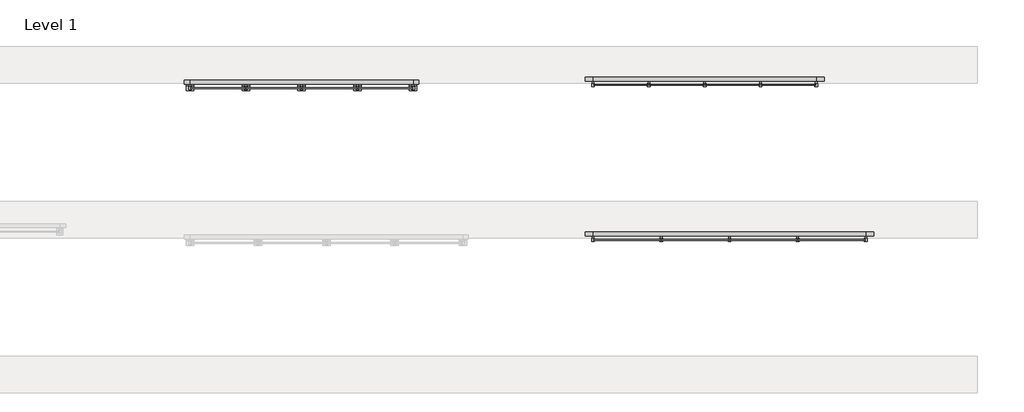
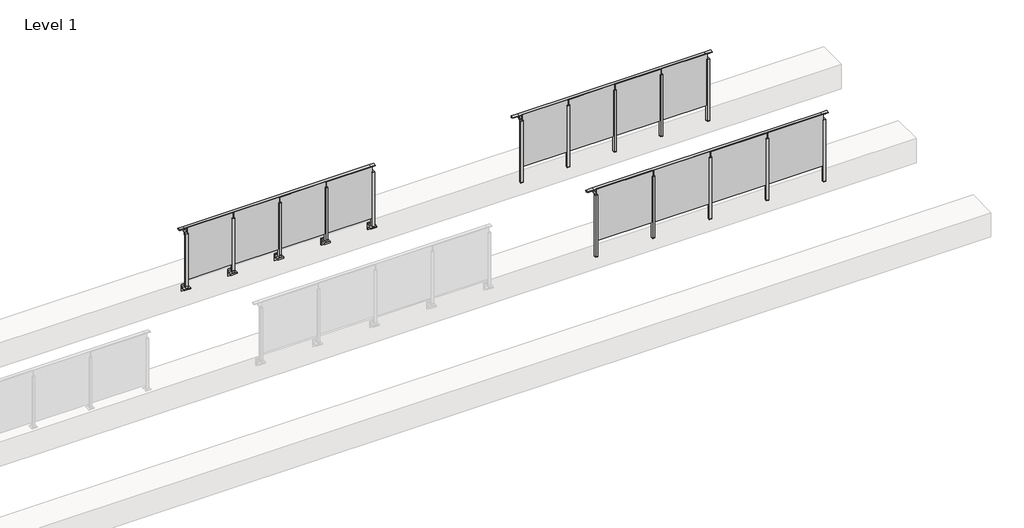
# One storey, part 64 of 64: 3 railings.
"""IFC4 building model written with IfcOpenShell, lengths in millimetres."""

import ifcopenshell
import ifcopenshell.guid

model = None  # the IFC model being written
_history = None  # IfcOwnerHistory: only IFC2X3 demands one
_inside = {}  # id of a spatial element -> (the spatial element, [elements in it])
_under = {}  # id of a project, library or spatial element -> (it, [spatial elements below it])
_declared = {}  # id of a project -> (the project, [libraries it declares])
_typed = {}  # id of a type object -> (the type object, [elements of that type])
_made_of = {}  # id of a material, layer set ... -> (it, [elements and type objects made of it])


def new_model(schema):
    """Start an empty IFC model of exactly this schema.

    Asked for "IFC4X3", IfcOpenShell would pick the latest addendum, in which some entities
    have other attributes; the version numbers below select the first issue.
    IFC2X3 requires an IfcOwnerHistory on every rooted entity: one is made here for all.
    """
    global model, _history
    if schema == "IFC4X3":
        model = ifcopenshell.file(schema_version=(4, 3, 0, 0))
    else:
        model = ifcopenshell.file(schema=schema)
    _inside.clear()
    _under.clear()
    _declared.clear()
    _typed.clear()
    _made_of.clear()
    _history = None
    if model.schema == "IFC2X3":
        org = make("IfcOrganization", Name="unknown")
        user = make(
            "IfcPersonAndOrganization",
            ThePerson=make("IfcPerson", FamilyName="unknown"),
            TheOrganization=org,
        )
        app = make(
            "IfcApplication",
            ApplicationDeveloper=org,
            Version="unknown",
            ApplicationFullName="unknown",
            ApplicationIdentifier="unknown",
        )
        _history = make(
            "IfcOwnerHistory",
            OwningUser=user,
            OwningApplication=app,
            ChangeAction="ADDED",
            CreationDate=0,
        )
    return model


def make(cls, **values):
    """One entity of the class cls with the attributes given. An attribute that is None is left unset."""
    return model.create_entity(
        cls, **{name: value for name, value in values.items() if value is not None}
    )


def rooted(cls, **values):
    """An entity with a GlobalId (a new one), such as an element, a storey or a relation."""
    return make(cls, GlobalId=ifcopenshell.guid.new(), OwnerHistory=_history, **values)


def si_unit(unit_type, name, prefix=None):
    """IfcSIUnit, for example si_unit("LENGTHUNIT", "METRE", prefix="MILLI")."""
    return make("IfcSIUnit", UnitType=unit_type, Prefix=prefix, Name=name)


def assignment(units):
    """IfcUnitAssignment: the units of a project."""
    return None if units is None else make("IfcUnitAssignment", Units=units)


def point(xyz):
    """IfcCartesianPoint."""
    return None if xyz is None else make("IfcCartesianPoint", Coordinates=xyz)


def direction(xyz):
    """IfcDirection."""
    return None if xyz is None else make("IfcDirection", DirectionRatios=xyz)


def frame(location, z_axis=None, x_axis=None):
    """IfcAxis2Placement3D, a coordinate frame: its origin and axes. An axis left out is left unset."""
    return make(
        "IfcAxis2Placement3D",
        Location=point(location),
        Axis=direction(z_axis),
        RefDirection=direction(x_axis),
    )


def frame_2d(location, x_axis=None):
    """IfcAxis2Placement2D, a coordinate frame in the plane: its origin and x axis."""
    return make(
        "IfcAxis2Placement2D", Location=point(location), RefDirection=direction(x_axis)
    )


def origin():
    """The frame at (0, 0, 0) with its axes left unset."""
    return frame((0.0, 0.0, 0.0))


def place(relative_to, where):
    """IfcLocalPlacement: puts the frame where relative to a parent placement (None: the world)."""
    return make(
        "IfcLocalPlacement", PlacementRelTo=relative_to, RelativePlacement=where
    )


def context(
    kind, dimensions, precision=None, world=None, true_north=None, identifier=None
):
    """IfcGeometricRepresentationContext, for example the 3D "Model" context."""
    return make(
        "IfcGeometricRepresentationContext",
        ContextIdentifier=identifier,
        ContextType=kind,
        CoordinateSpaceDimension=dimensions,
        Precision=precision,
        WorldCoordinateSystem=world,
        TrueNorth=true_north,
    )


def project(units=None, contexts=None):
    """IfcProject with its units and contexts."""
    return rooted(
        "IfcProject",
        Name="project",
        RepresentationContexts=contexts,
        UnitsInContext=assignment(units),
    )


def spatial(cls, under=None, at=None, **own):
    """A site, building, storey or space (cls), placed at a placement, below another one or the project."""
    s = rooted(cls, ObjectPlacement=at, **own)
    if under is not None:
        _under.setdefault(under.id(), (under, []))[1].append(s)
    return s


def polyline(points):
    """IfcPolyline through the points."""
    return make("IfcPolyline", Points=[point(p) for p in points])


def circle_curve(where, radius):
    """IfcCircle in the frame where."""
    return make("IfcCircle", Position=where, Radius=radius)


def trimmed(basis, trim1, trim2, sense, master):
    """IfcTrimmedCurve: the piece of a basis curve between two trims."""
    return make(
        "IfcTrimmedCurve",
        BasisCurve=basis,
        Trim1=trim1,
        Trim2=trim2,
        SenseAgreement=sense,
        MasterRepresentation=master,
    )


def segment(curve, same_sense, transition):
    """IfcCompositeCurveSegment."""
    return make(
        "IfcCompositeCurveSegment",
        Transition=transition,
        SameSense=same_sense,
        ParentCurve=curve,
    )


def composite_curve(segments, self_intersect=None):
    """IfcCompositeCurve: segments joined end to end."""
    return make("IfcCompositeCurve", Segments=segments, SelfIntersect=self_intersect)


def outline(outer, holes=None, kind="AREA"):
    """IfcArbitraryClosedProfileDef: a profile drawn as a closed curve; with holes, ...WithVoids."""
    if holes is None:
        return make("IfcArbitraryClosedProfileDef", ProfileType=kind, OuterCurve=outer)
    return make(
        "IfcArbitraryProfileDefWithVoids",
        ProfileType=kind,
        OuterCurve=outer,
        InnerCurves=holes,
    )


def extrude(swept, where, along, depth):
    """IfcExtrudedAreaSolid: the profile swept, set in the frame where, extruded along a direction by depth."""
    return make(
        "IfcExtrudedAreaSolid",
        SweptArea=swept,
        Position=where,
        ExtrudedDirection=direction(along),
        Depth=depth,
    )


def faces_of(points, faces, orient=None, outer=None):
    """IfcFace entities. A face is a list of loops; a loop is a list of indices into points, from 0.

    orient and outer hold one flag for each loop. By default every Orientation is true, the
    first loop of a face is its IfcFaceOuterBound and the others are IfcFaceBound.
    """
    made = []
    for i, loops in enumerate(faces):
        bounds = []
        for j, loop in enumerate(loops):
            is_outer = j == 0 if outer is None else outer[i][j]
            bounds.append(
                make(
                    "IfcFaceOuterBound" if is_outer else "IfcFaceBound",
                    Bound=make("IfcPolyLoop", Polygon=[points[k] for k in loop]),
                    Orientation=True if orient is None else orient[i][j],
                )
            )
        made.append(make("IfcFace", Bounds=bounds))
    return made


def faceted_brep(points, faces, orient=None, outer=None, voids=None):
    """IfcFacetedBrep: a solid bounded by flat faces; with voids (closed shells), ...WithVoids."""
    shared = [point(p) for p in points]
    hull = make("IfcClosedShell", CfsFaces=faces_of(shared, faces, orient, outer))
    if voids is None:
        return make("IfcFacetedBrep", Outer=hull)
    return make(
        "IfcFacetedBrepWithVoids",
        Outer=hull,
        Voids=[
            make(cls, CfsFaces=faces_of(shared, fs, o, b)) for cls, fs, o, b in voids
        ],
    )


def shape(context_of_items, identifier, shape_type, items):
    """IfcShapeRepresentation: the items that make up one representation, for example the "Body"."""
    return make(
        "IfcShapeRepresentation",
        ContextOfItems=context_of_items,
        RepresentationIdentifier=identifier,
        RepresentationType=shape_type,
        Items=items,
    )


def made_of(thing, what):
    """Note that an element or type object is made of a material, layer set ...; save() writes the relation."""
    if what is not None:
        _made_of.setdefault(what.id(), (what, []))[1].append(thing)
    return thing


def element(
    cls,
    number,
    at=None,
    inside=None,
    cuts=None,
    type_object=None,
    material=None,
    context=None,
    identifier="Body",
    shape_type=None,
    held_by="IfcProductDefinitionShape",
    body=None,
    shapes=None,
    **own,
):
    """One element of the class cls, such as IfcWall. Its Tag is "e" and its number.

    at: its placement. inside: the storey or other place that contains it. cuts: it is an
    opening in that element (IfcRelVoidsElement). A single representation is given by context,
    identifier, shape_type and body (its items); several are given by shapes. held_by: the class
    of the entity that holds the representations. save() writes the other relations.
    """
    e = rooted(cls, Tag="e%d" % number, ObjectPlacement=at, **own)
    if body is not None:
        shapes = [shape(context, identifier, shape_type, body)]
    if shapes is not None:
        e.Representation = make(held_by, Representations=shapes)
    if inside is not None:
        _inside.setdefault(inside.id(), (inside, []))[1].append(e)
    if cuts is not None:
        rooted(
            "IfcRelVoidsElement", RelatingBuildingElement=cuts, RelatedOpeningElement=e
        )
    if type_object is not None:
        _typed.setdefault(type_object.id(), (type_object, []))[1].append(e)
    return made_of(e, material)


def aggregate(whole, parts):
    """IfcRelAggregates: a whole, such as a stair, and the parts it consists of."""
    return rooted("IfcRelAggregates", RelatingObject=whole, RelatedObjects=parts)


def save(model, path):
    """Write the relations noted so far, then the file.

    IfcRelAggregates (storeys below a building ...), IfcRelContainedInSpatialStructure (elements
    in a storey), IfcRelDefinesByType, IfcRelAssociatesMaterial and IfcRelDeclares: one each for
    every whole, place, type object, material and project.
    """
    for whole, parts in _under.values():
        aggregate(whole, parts)
    for where, things in _inside.values():
        rooted(
            "IfcRelContainedInSpatialStructure",
            RelatedElements=things,
            RelatingStructure=where,
        )
    for kind, things in _typed.values():
        rooted("IfcRelDefinesByType", RelatedObjects=things, RelatingType=kind)
    for what, things in _made_of.values():
        rooted("IfcRelAssociatesMaterial", RelatedObjects=things, RelatingMaterial=what)
    for by, libraries in _declared.values():
        rooted("IfcRelDeclares", RelatingContext=by, RelatedDefinitions=libraries)
    model.write(path)


model = new_model("IFC4")

# Units and contexts
model_context = context("Model", 3, world=origin())
ifc_project = project(units=[si_unit("LENGTHUNIT", "METRE", prefix="MILLI")], contexts=[model_context])

# Site, building, storey
site = spatial("IfcSite", under=ifc_project)
building = spatial("IfcBuilding", under=site)
storey = spatial("IfcBuildingStorey", under=building, Name="Level 1", Elevation=0.0)

# Railings
placement = place(None, origin())
element("IfcRailing", 1, at=placement, inside=storey, context=model_context, shape_type="SolidModel", body=[
    faceted_brep([(49500.0, 49993.1846828, 1085.0), (49500.0, 49993.1846828, 1100.0), (53900.0, 49993.1846828, 1100.0), (53900.0, 49993.1846828, 1085.0), (49500.0, 49933.1846828, 1085.0), (49500.0, 49973.1846828, 1085.0), (53900.0, 49973.1846828, 1085.0), (53900.0, 49933.1846828, 1085.0), (49500.0, 49933.1846828, 1100.0), (53900.0, 49933.1846828, 1100.0), (49372.5, 49993.1846828, 1100.0), (49372.5, 49993.1846828, 1085.0), (49372.5, 49978.1846828, 1085.0), (49372.5, 49978.1846828, 1073.0), (49372.5, 49973.1846828, 1073.0), (49372.5, 49973.1846828, 1085.0), (49372.5, 49933.1846828, 1085.0), (49372.5, 49933.1846828, 1100.0), (54027.5, 49993.1846828, 1100.0), (54027.5, 49933.1846828, 1100.0), (54027.5, 49933.1846828, 1085.0), (54027.5, 49973.1846828, 1085.0), (54027.5, 49973.1846828, 1073.0), (54027.5, 49978.1846828, 1073.0), (54027.5, 49978.1846828, 1085.0), (54027.5, 49993.1846828, 1085.0), (49500.0, 49978.1846828, 1085.0), (53900.0, 49978.1846828, 1085.0), (49500.0, 49978.1846828, 1073.0), (49500.0, 49973.1846828, 1073.0), (53900.0, 49978.1846828, 1073.0), (53900.0, 49973.1846828, 1073.0)], [[[0, 1, 2, 3]], [[4, 5, 6, 7]], [[8, 4, 7, 9]], [[1, 8, 9, 2]], [[10, 11, 12, 13, 14, 15, 16, 17]], [[11, 10, 1, 0]], [[16, 15, 5, 4]], [[17, 16, 4, 8]], [[10, 17, 8, 1]], [[18, 19, 20, 21, 22, 23, 24, 25]], [[3, 2, 18, 25]], [[7, 6, 21, 20]], [[9, 7, 20, 19]], [[2, 9, 19, 18]], [[12, 11, 0, 26]], [[26, 0, 3, 27]], [[27, 3, 25, 24]], [[13, 12, 26, 28]], [[14, 13, 28, 29]], [[15, 14, 29, 5]], [[28, 26, 27, 30]], [[29, 28, 30, 31]], [[5, 29, 31, 6]], [[30, 27, 24, 23]], [[31, 30, 23, 22]], [[6, 31, 22, 21]]]),
    extrude(outline(polyline([(52810.0, 49861.9094929), (52810.0, 49871.9094929), (53890.0, 49871.9094929), (53890.0, 49861.9094929), (52810.0, 49861.9094929)])), frame((0.0, 0.0, 95.0), z_axis=(0.0, 0.0, 1.0), x_axis=(1.0, 0.0, 0.0)), (0.0, 0.0, 1.0), 1055.0),
    extrude(outline(composite_curve([segment(polyline([(49978.1846828, 1085.0), (49978.1846828, 1060.900037)]), True, "CONTINUOUS"), segment(trimmed(circle_curve(frame_2d((49968.1846828, 1060.900037)), 10.0), [point((49978.1846828, 1060.900037))], [point((49970.7728733, 1051.2407787))], False, "CARTESIAN"), True, "CONTINUOUS"), segment(polyline([(49970.7728733, 1051.2407787), (49913.7244733, 1035.9547061)]), True, "CONTINUOUS"), segment(trimmed(circle_curve(frame_2d((49916.3126638, 1026.2954478)), 10.0), [point((49913.7244733, 1035.9547061))], [point((49906.3982152, 1027.6007097))], True, "CARTESIAN"), True, "CONTINUOUS"), segment(polyline([(49906.3982152, 1027.6007097), (49901.791393, 992.6084214)]), True, "CONTINUOUS"), segment(trimmed(circle_curve(frame_2d((49898.8170584, 993.0)), 3.0), [point((49901.791393, 992.6084214))], [point((49898.8170584, 990.0))], False, "CARTESIAN"), True, "CONTINUOUS"), segment(polyline([(49898.8170584, 990.0), (49890.1846828, 990.0), (49890.1846828, 1040.0), (49954.1846828, 1057.1487483), (49954.1846828, 1085.0), (49978.1846828, 1085.0)]), True, "CONTINUOUS")], self_intersect=False)), frame((52787.5, 0.0, 0.0), z_axis=(1.0, 0.0, 0.0), x_axis=(0.0, 1.0, 0.0)), (0.0, 0.0, 1.0), 25.0),
    extrude(outline(polyline([(52822.5, 49890.1846828), (52822.5, 49845.1846828), (52777.5, 49845.1846828), (52777.5, 49890.1846828), (52822.5, 49890.1846828)])), frame((0.0, 0.0, 1040.0), z_axis=(0.0, 0.0, 1.0), x_axis=(1.0, 0.0, 0.0)), (0.0, 0.0, 1.0), 5.0),
    extrude(outline(polyline([(52822.5, 49890.1846828), (52822.5, 49845.1846828), (52777.5, 49845.1846828), (52777.5, 49890.1846828), (52822.5, 49890.1846828)])), frame((0.0, 0.0, -212.0), z_axis=(0.0, 0.0, 1.0), x_axis=(1.0, 0.0, 0.0)), (0.0, 0.0, 1.0), 1252.0),
    extrude(outline(polyline([(52822.5, 49890.1846828), (52822.5, 49845.1846828), (52777.5, 49845.1846828), (52777.5, 49890.1846828), (52822.5, 49890.1846828)])), frame((0.0, 0.0, -220.0), z_axis=(0.0, 0.0, 1.0), x_axis=(1.0, 0.0, 0.0)), (0.0, 0.0, 1.0), 8.0),
    extrude(outline(polyline([(51710.0, 49861.9094929), (51710.0, 49871.9094929), (52790.0, 49871.9094929), (52790.0, 49861.9094929), (51710.0, 49861.9094929)])), frame((0.0, 0.0, 95.0), z_axis=(0.0, 0.0, 1.0), x_axis=(1.0, 0.0, 0.0)), (0.0, 0.0, 1.0), 1055.0),
    extrude(outline(composite_curve([segment(polyline([(49978.1846828, 1085.0), (49978.1846828, 1060.900037)]), True, "CONTINUOUS"), segment(trimmed(circle_curve(frame_2d((49968.1846828, 1060.900037)), 10.0), [point((49978.1846828, 1060.900037))], [point((49970.7728733, 1051.2407787))], False, "CARTESIAN"), True, "CONTINUOUS"), segment(polyline([(49970.7728733, 1051.2407787), (49913.7244733, 1035.9547061)]), True, "CONTINUOUS"), segment(trimmed(circle_curve(frame_2d((49916.3126638, 1026.2954478)), 10.0), [point((49913.7244733, 1035.9547061))], [point((49906.3982152, 1027.6007097))], True, "CARTESIAN"), True, "CONTINUOUS"), segment(polyline([(49906.3982152, 1027.6007097), (49901.791393, 992.6084214)]), True, "CONTINUOUS"), segment(trimmed(circle_curve(frame_2d((49898.8170584, 993.0)), 3.0), [point((49901.791393, 992.6084214))], [point((49898.8170584, 990.0))], False, "CARTESIAN"), True, "CONTINUOUS"), segment(polyline([(49898.8170584, 990.0), (49890.1846828, 990.0), (49890.1846828, 1040.0), (49954.1846828, 1057.1487483), (49954.1846828, 1085.0), (49978.1846828, 1085.0)]), True, "CONTINUOUS")], self_intersect=False)), frame((51687.5, 0.0, 0.0), z_axis=(1.0, 0.0, 0.0), x_axis=(0.0, 1.0, 0.0)), (0.0, 0.0, 1.0), 25.0),
    extrude(outline(polyline([(51722.5, 49890.1846828), (51722.5, 49845.1846828), (51677.5, 49845.1846828), (51677.5, 49890.1846828), (51722.5, 49890.1846828)])), frame((0.0, 0.0, 1040.0), z_axis=(0.0, 0.0, 1.0), x_axis=(1.0, 0.0, 0.0)), (0.0, 0.0, 1.0), 5.0),
    extrude(outline(polyline([(51722.5, 49890.1846828), (51722.5, 49845.1846828), (51677.5, 49845.1846828), (51677.5, 49890.1846828), (51722.5, 49890.1846828)])), frame((0.0, 0.0, -212.0), z_axis=(0.0, 0.0, 1.0), x_axis=(1.0, 0.0, 0.0)), (0.0, 0.0, 1.0), 1252.0),
    extrude(outline(polyline([(51722.5, 49890.1846828), (51722.5, 49845.1846828), (51677.5, 49845.1846828), (51677.5, 49890.1846828), (51722.5, 49890.1846828)])), frame((0.0, 0.0, -220.0), z_axis=(0.0, 0.0, 1.0), x_axis=(1.0, 0.0, 0.0)), (0.0, 0.0, 1.0), 8.0),
    extrude(outline(polyline([(50610.0, 49861.9094929), (50610.0, 49871.9094929), (51690.0, 49871.9094929), (51690.0, 49861.9094929), (50610.0, 49861.9094929)])), frame((0.0, 0.0, 95.0), z_axis=(0.0, 0.0, 1.0), x_axis=(1.0, 0.0, 0.0)), (0.0, 0.0, 1.0), 1055.0),
    extrude(outline(composite_curve([segment(polyline([(49978.1846828, 1085.0), (49978.1846828, 1060.900037)]), True, "CONTINUOUS"), segment(trimmed(circle_curve(frame_2d((49968.1846828, 1060.900037)), 10.0), [point((49978.1846828, 1060.900037))], [point((49970.7728733, 1051.2407787))], False, "CARTESIAN"), True, "CONTINUOUS"), segment(polyline([(49970.7728733, 1051.2407787), (49913.7244733, 1035.9547061)]), True, "CONTINUOUS"), segment(trimmed(circle_curve(frame_2d((49916.3126638, 1026.2954478)), 10.0), [point((49913.7244733, 1035.9547061))], [point((49906.3982152, 1027.6007097))], True, "CARTESIAN"), True, "CONTINUOUS"), segment(polyline([(49906.3982152, 1027.6007097), (49901.791393, 992.6084214)]), True, "CONTINUOUS"), segment(trimmed(circle_curve(frame_2d((49898.8170584, 993.0)), 3.0), [point((49901.791393, 992.6084214))], [point((49898.8170584, 990.0))], False, "CARTESIAN"), True, "CONTINUOUS"), segment(polyline([(49898.8170584, 990.0), (49890.1846828, 990.0), (49890.1846828, 1040.0), (49954.1846828, 1057.1487483), (49954.1846828, 1085.0), (49978.1846828, 1085.0)]), True, "CONTINUOUS")], self_intersect=False)), frame((50587.5, 0.0, 0.0), z_axis=(1.0, 0.0, 0.0), x_axis=(0.0, 1.0, 0.0)), (0.0, 0.0, 1.0), 25.0),
    extrude(outline(polyline([(50622.5, 49890.1846828), (50622.5, 49845.1846828), (50577.5, 49845.1846828), (50577.5, 49890.1846828), (50622.5, 49890.1846828)])), frame((0.0, 0.0, 1040.0), z_axis=(0.0, 0.0, 1.0), x_axis=(1.0, 0.0, 0.0)), (0.0, 0.0, 1.0), 5.0),
    extrude(outline(polyline([(50622.5, 49890.1846828), (50622.5, 49845.1846828), (50577.5, 49845.1846828), (50577.5, 49890.1846828), (50622.5, 49890.1846828)])), frame((0.0, 0.0, -212.0), z_axis=(0.0, 0.0, 1.0), x_axis=(1.0, 0.0, 0.0)), (0.0, 0.0, 1.0), 1252.0),
    extrude(outline(polyline([(50622.5, 49890.1846828), (50622.5, 49845.1846828), (50577.5, 49845.1846828), (50577.5, 49890.1846828), (50622.5, 49890.1846828)])), frame((0.0, 0.0, -220.0), z_axis=(0.0, 0.0, 1.0), x_axis=(1.0, 0.0, 0.0)), (0.0, 0.0, 1.0), 8.0),
    extrude(outline(polyline([(49510.0, 49861.9094929), (49510.0, 49871.9094929), (50590.0, 49871.9094929), (50590.0, 49861.9094929), (49510.0, 49861.9094929)])), frame((0.0, 0.0, 95.0), z_axis=(0.0, 0.0, 1.0), x_axis=(1.0, 0.0, 0.0)), (0.0, 0.0, 1.0), 1055.0),
    extrude(outline(composite_curve([segment(polyline([(49978.1846828, 1085.0), (49978.1846828, 1060.900037)]), True, "CONTINUOUS"), segment(trimmed(circle_curve(frame_2d((49968.1846828, 1060.900037)), 10.0), [point((49978.1846828, 1060.900037))], [point((49970.7728733, 1051.2407787))], False, "CARTESIAN"), True, "CONTINUOUS"), segment(polyline([(49970.7728733, 1051.2407787), (49913.7244733, 1035.9547061)]), True, "CONTINUOUS"), segment(trimmed(circle_curve(frame_2d((49916.3126638, 1026.2954478)), 10.0), [point((49913.7244733, 1035.9547061))], [point((49906.3982152, 1027.6007097))], True, "CARTESIAN"), True, "CONTINUOUS"), segment(polyline([(49906.3982152, 1027.6007097), (49901.791393, 992.6084214)]), True, "CONTINUOUS"), segment(trimmed(circle_curve(frame_2d((49898.8170584, 993.0)), 3.0), [point((49901.791393, 992.6084214))], [point((49898.8170584, 990.0))], False, "CARTESIAN"), True, "CONTINUOUS"), segment(polyline([(49898.8170584, 990.0), (49890.1846828, 990.0), (49890.1846828, 1040.0), (49954.1846828, 1057.1487483), (49954.1846828, 1085.0), (49978.1846828, 1085.0)]), True, "CONTINUOUS")], self_intersect=False)), frame((53887.5, 0.0, 0.0), z_axis=(1.0, 0.0, 0.0), x_axis=(0.0, 1.0, 0.0)), (0.0, 0.0, 1.0), 25.0),
    extrude(outline(polyline([(53922.5, 49890.1846828), (53922.5, 49845.1846828), (53877.5, 49845.1846828), (53877.5, 49890.1846828), (53922.5, 49890.1846828)])), frame((0.0, 0.0, 1040.0), z_axis=(0.0, 0.0, 1.0), x_axis=(1.0, 0.0, 0.0)), (0.0, 0.0, 1.0), 5.0),
    extrude(outline(polyline([(53922.5, 49890.1846828), (53922.5, 49845.1846828), (53877.5, 49845.1846828), (53877.5, 49890.1846828), (53922.5, 49890.1846828)])), frame((0.0, 0.0, -212.0), z_axis=(0.0, 0.0, 1.0), x_axis=(1.0, 0.0, 0.0)), (0.0, 0.0, 1.0), 1252.0),
    extrude(outline(polyline([(53922.5, 49890.1846828), (53922.5, 49845.1846828), (53877.5, 49845.1846828), (53877.5, 49890.1846828), (53922.5, 49890.1846828)])), frame((0.0, 0.0, -220.0), z_axis=(0.0, 0.0, 1.0), x_axis=(1.0, 0.0, 0.0)), (0.0, 0.0, 1.0), 8.0),
    extrude(outline(composite_curve([segment(polyline([(49978.1846828, 1085.0), (49978.1846828, 1060.900037)]), True, "CONTINUOUS"), segment(trimmed(circle_curve(frame_2d((49968.1846828, 1060.900037)), 10.0), [point((49978.1846828, 1060.900037))], [point((49970.7728733, 1051.2407787))], False, "CARTESIAN"), True, "CONTINUOUS"), segment(polyline([(49970.7728733, 1051.2407787), (49913.7244733, 1035.9547061)]), True, "CONTINUOUS"), segment(trimmed(circle_curve(frame_2d((49916.3126638, 1026.2954478)), 10.0), [point((49913.7244733, 1035.9547061))], [point((49906.3982152, 1027.6007097))], True, "CARTESIAN"), True, "CONTINUOUS"), segment(polyline([(49906.3982152, 1027.6007097), (49901.791393, 992.6084214)]), True, "CONTINUOUS"), segment(trimmed(circle_curve(frame_2d((49898.8170584, 993.0)), 3.0), [point((49901.791393, 992.6084214))], [point((49898.8170584, 990.0))], False, "CARTESIAN"), True, "CONTINUOUS"), segment(polyline([(49898.8170584, 990.0), (49890.1846828, 990.0), (49890.1846828, 1040.0), (49954.1846828, 1057.1487483), (49954.1846828, 1085.0), (49978.1846828, 1085.0)]), True, "CONTINUOUS")], self_intersect=False)), frame((49487.5, 0.0, 0.0), z_axis=(1.0, 0.0, 0.0), x_axis=(0.0, 1.0, 0.0)), (0.0, 0.0, 1.0), 25.0),
    extrude(outline(polyline([(49522.5, 49890.1846828), (49522.5, 49845.1846828), (49477.5, 49845.1846828), (49477.5, 49890.1846828), (49522.5, 49890.1846828)])), frame((0.0, 0.0, 1040.0), z_axis=(0.0, 0.0, 1.0), x_axis=(1.0, 0.0, 0.0)), (0.0, 0.0, 1.0), 5.0),
    extrude(outline(polyline([(49522.5, 49890.1846828), (49522.5, 49845.1846828), (49477.5, 49845.1846828), (49477.5, 49890.1846828), (49522.5, 49890.1846828)])), frame((0.0, 0.0, -212.0), z_axis=(0.0, 0.0, 1.0), x_axis=(1.0, 0.0, 0.0)), (0.0, 0.0, 1.0), 1252.0),
    extrude(outline(polyline([(49522.5, 49890.1846828), (49522.5, 49845.1846828), (49477.5, 49845.1846828), (49477.5, 49890.1846828), (49522.5, 49890.1846828)])), frame((0.0, 0.0, -220.0), z_axis=(0.0, 0.0, 1.0), x_axis=(1.0, 0.0, 0.0)), (0.0, 0.0, 1.0), 8.0),
])
element("IfcRailing", 2, at=placement, inside=storey, context=model_context, shape_type="SolidModel", body=[
    faceted_brep([(49500.0, 52493.1846828, 1085.0), (49500.0, 52493.1846828, 1100.0), (53100.0, 52493.1846828, 1100.0), (53100.0, 52493.1846828, 1085.0), (49500.0, 52433.1846828, 1085.0), (49500.0, 52473.1846828, 1085.0), (53100.0, 52473.1846828, 1085.0), (53100.0, 52433.1846828, 1085.0), (49500.0, 52433.1846828, 1100.0), (53100.0, 52433.1846828, 1100.0), (49372.5, 52493.1846828, 1100.0), (49372.5, 52493.1846828, 1085.0), (49372.5, 52478.1846828, 1085.0), (49372.5, 52478.1846828, 1073.0), (49372.5, 52473.1846828, 1073.0), (49372.5, 52473.1846828, 1085.0), (49372.5, 52433.1846828, 1085.0), (49372.5, 52433.1846828, 1100.0), (53227.5, 52493.1846828, 1100.0), (53227.5, 52433.1846828, 1100.0), (53227.5, 52433.1846828, 1085.0), (53227.5, 52473.1846828, 1085.0), (53227.5, 52473.1846828, 1073.0), (53227.5, 52478.1846828, 1073.0), (53227.5, 52478.1846828, 1085.0), (53227.5, 52493.1846828, 1085.0), (49500.0, 52478.1846828, 1085.0), (53100.0, 52478.1846828, 1085.0), (49500.0, 52478.1846828, 1073.0), (49500.0, 52473.1846828, 1073.0), (53100.0, 52478.1846828, 1073.0), (53100.0, 52473.1846828, 1073.0)], [[[0, 1, 2, 3]], [[4, 5, 6, 7]], [[8, 4, 7, 9]], [[1, 8, 9, 2]], [[10, 11, 12, 13, 14, 15, 16, 17]], [[11, 10, 1, 0]], [[16, 15, 5, 4]], [[17, 16, 4, 8]], [[10, 17, 8, 1]], [[18, 19, 20, 21, 22, 23, 24, 25]], [[3, 2, 18, 25]], [[7, 6, 21, 20]], [[9, 7, 20, 19]], [[2, 9, 19, 18]], [[12, 11, 0, 26]], [[26, 0, 3, 27]], [[27, 3, 25, 24]], [[13, 12, 26, 28]], [[14, 13, 28, 29]], [[15, 14, 29, 5]], [[28, 26, 27, 30]], [[29, 28, 30, 31]], [[5, 29, 31, 6]], [[30, 27, 24, 23]], [[31, 30, 23, 22]], [[6, 31, 22, 21]]]),
    extrude(outline(polyline([(52210.0, 52361.9094929), (52210.0, 52371.9094929), (53090.0, 52371.9094929), (53090.0, 52361.9094929), (52210.0, 52361.9094929)])), frame((0.0, 0.0, 95.0), z_axis=(0.0, 0.0, 1.0), x_axis=(1.0, 0.0, 0.0)), (0.0, 0.0, 1.0), 1055.0),
    extrude(outline(composite_curve([segment(polyline([(52478.1846828, 1085.0), (52478.1846828, 1060.900037)]), True, "CONTINUOUS"), segment(trimmed(circle_curve(frame_2d((52468.1846828, 1060.900037)), 10.0), [point((52478.1846828, 1060.900037))], [point((52470.7728733, 1051.2407787))], False, "CARTESIAN"), True, "CONTINUOUS"), segment(polyline([(52470.7728733, 1051.2407787), (52413.7244733, 1035.9547061)]), True, "CONTINUOUS"), segment(trimmed(circle_curve(frame_2d((52416.3126638, 1026.2954478)), 10.0), [point((52413.7244733, 1035.9547061))], [point((52406.3982152, 1027.6007097))], True, "CARTESIAN"), True, "CONTINUOUS"), segment(polyline([(52406.3982152, 1027.6007097), (52401.791393, 992.6084214)]), True, "CONTINUOUS"), segment(trimmed(circle_curve(frame_2d((52398.8170584, 993.0)), 3.0), [point((52401.791393, 992.6084214))], [point((52398.8170584, 990.0))], False, "CARTESIAN"), True, "CONTINUOUS"), segment(polyline([(52398.8170584, 990.0), (52390.1846828, 990.0), (52390.1846828, 1040.0), (52454.1846828, 1057.1487483), (52454.1846828, 1085.0), (52478.1846828, 1085.0)]), True, "CONTINUOUS")], self_intersect=False)), frame((52187.5, 0.0, 0.0), z_axis=(1.0, 0.0, 0.0), x_axis=(0.0, 1.0, 0.0)), (0.0, 0.0, 1.0), 25.0),
    extrude(outline(polyline([(52222.5, 52390.1846828), (52222.5, 52345.1846828), (52177.5, 52345.1846828), (52177.5, 52390.1846828), (52222.5, 52390.1846828)])), frame((0.0, 0.0, 1040.0), z_axis=(0.0, 0.0, 1.0), x_axis=(1.0, 0.0, 0.0)), (0.0, 0.0, 1.0), 5.0),
    extrude(outline(polyline([(52222.5, 52390.1846828), (52222.5, 52345.1846828), (52177.5, 52345.1846828), (52177.5, 52390.1846828), (52222.5, 52390.1846828)])), frame((0.0, 0.0, -212.0), z_axis=(0.0, 0.0, 1.0), x_axis=(1.0, 0.0, 0.0)), (0.0, 0.0, 1.0), 1252.0),
    extrude(outline(polyline([(52222.5, 52390.1846828), (52222.5, 52345.1846828), (52177.5, 52345.1846828), (52177.5, 52390.1846828), (52222.5, 52390.1846828)])), frame((0.0, 0.0, -220.0), z_axis=(0.0, 0.0, 1.0), x_axis=(1.0, 0.0, 0.0)), (0.0, 0.0, 1.0), 8.0),
    extrude(outline(polyline([(51310.0, 52361.9094929), (51310.0, 52371.9094929), (52190.0, 52371.9094929), (52190.0, 52361.9094929), (51310.0, 52361.9094929)])), frame((0.0, 0.0, 95.0), z_axis=(0.0, 0.0, 1.0), x_axis=(1.0, 0.0, 0.0)), (0.0, 0.0, 1.0), 1055.0),
    extrude(outline(composite_curve([segment(polyline([(52478.1846828, 1085.0), (52478.1846828, 1060.900037)]), True, "CONTINUOUS"), segment(trimmed(circle_curve(frame_2d((52468.1846828, 1060.900037)), 10.0), [point((52478.1846828, 1060.900037))], [point((52470.7728733, 1051.2407787))], False, "CARTESIAN"), True, "CONTINUOUS"), segment(polyline([(52470.7728733, 1051.2407787), (52413.7244733, 1035.9547061)]), True, "CONTINUOUS"), segment(trimmed(circle_curve(frame_2d((52416.3126638, 1026.2954478)), 10.0), [point((52413.7244733, 1035.9547061))], [point((52406.3982152, 1027.6007097))], True, "CARTESIAN"), True, "CONTINUOUS"), segment(polyline([(52406.3982152, 1027.6007097), (52401.791393, 992.6084214)]), True, "CONTINUOUS"), segment(trimmed(circle_curve(frame_2d((52398.8170584, 993.0)), 3.0), [point((52401.791393, 992.6084214))], [point((52398.8170584, 990.0))], False, "CARTESIAN"), True, "CONTINUOUS"), segment(polyline([(52398.8170584, 990.0), (52390.1846828, 990.0), (52390.1846828, 1040.0), (52454.1846828, 1057.1487483), (52454.1846828, 1085.0), (52478.1846828, 1085.0)]), True, "CONTINUOUS")], self_intersect=False)), frame((51287.5, 0.0, 0.0), z_axis=(1.0, 0.0, 0.0), x_axis=(0.0, 1.0, 0.0)), (0.0, 0.0, 1.0), 25.0),
    extrude(outline(polyline([(51322.5, 52390.1846828), (51322.5, 52345.1846828), (51277.5, 52345.1846828), (51277.5, 52390.1846828), (51322.5, 52390.1846828)])), frame((0.0, 0.0, 1040.0), z_axis=(0.0, 0.0, 1.0), x_axis=(1.0, 0.0, 0.0)), (0.0, 0.0, 1.0), 5.0),
    extrude(outline(polyline([(51322.5, 52390.1846828), (51322.5, 52345.1846828), (51277.5, 52345.1846828), (51277.5, 52390.1846828), (51322.5, 52390.1846828)])), frame((0.0, 0.0, -212.0), z_axis=(0.0, 0.0, 1.0), x_axis=(1.0, 0.0, 0.0)), (0.0, 0.0, 1.0), 1252.0),
    extrude(outline(polyline([(51322.5, 52390.1846828), (51322.5, 52345.1846828), (51277.5, 52345.1846828), (51277.5, 52390.1846828), (51322.5, 52390.1846828)])), frame((0.0, 0.0, -220.0), z_axis=(0.0, 0.0, 1.0), x_axis=(1.0, 0.0, 0.0)), (0.0, 0.0, 1.0), 8.0),
    extrude(outline(polyline([(50410.0, 52361.9094929), (50410.0, 52371.9094929), (51290.0, 52371.9094929), (51290.0, 52361.9094929), (50410.0, 52361.9094929)])), frame((0.0, 0.0, 95.0), z_axis=(0.0, 0.0, 1.0), x_axis=(1.0, 0.0, 0.0)), (0.0, 0.0, 1.0), 1055.0),
    extrude(outline(composite_curve([segment(polyline([(52478.1846828, 1085.0), (52478.1846828, 1060.900037)]), True, "CONTINUOUS"), segment(trimmed(circle_curve(frame_2d((52468.1846828, 1060.900037)), 10.0), [point((52478.1846828, 1060.900037))], [point((52470.7728733, 1051.2407787))], False, "CARTESIAN"), True, "CONTINUOUS"), segment(polyline([(52470.7728733, 1051.2407787), (52413.7244733, 1035.9547061)]), True, "CONTINUOUS"), segment(trimmed(circle_curve(frame_2d((52416.3126638, 1026.2954478)), 10.0), [point((52413.7244733, 1035.9547061))], [point((52406.3982152, 1027.6007097))], True, "CARTESIAN"), True, "CONTINUOUS"), segment(polyline([(52406.3982152, 1027.6007097), (52401.791393, 992.6084214)]), True, "CONTINUOUS"), segment(trimmed(circle_curve(frame_2d((52398.8170584, 993.0)), 3.0), [point((52401.791393, 992.6084214))], [point((52398.8170584, 990.0))], False, "CARTESIAN"), True, "CONTINUOUS"), segment(polyline([(52398.8170584, 990.0), (52390.1846828, 990.0), (52390.1846828, 1040.0), (52454.1846828, 1057.1487483), (52454.1846828, 1085.0), (52478.1846828, 1085.0)]), True, "CONTINUOUS")], self_intersect=False)), frame((50387.5, 0.0, 0.0), z_axis=(1.0, 0.0, 0.0), x_axis=(0.0, 1.0, 0.0)), (0.0, 0.0, 1.0), 25.0),
    extrude(outline(polyline([(50422.5, 52390.1846828), (50422.5, 52345.1846828), (50377.5, 52345.1846828), (50377.5, 52390.1846828), (50422.5, 52390.1846828)])), frame((0.0, 0.0, 1040.0), z_axis=(0.0, 0.0, 1.0), x_axis=(1.0, 0.0, 0.0)), (0.0, 0.0, 1.0), 5.0),
    extrude(outline(polyline([(50422.5, 52390.1846828), (50422.5, 52345.1846828), (50377.5, 52345.1846828), (50377.5, 52390.1846828), (50422.5, 52390.1846828)])), frame((0.0, 0.0, -212.0), z_axis=(0.0, 0.0, 1.0), x_axis=(1.0, 0.0, 0.0)), (0.0, 0.0, 1.0), 1252.0),
    extrude(outline(polyline([(50422.5, 52390.1846828), (50422.5, 52345.1846828), (50377.5, 52345.1846828), (50377.5, 52390.1846828), (50422.5, 52390.1846828)])), frame((0.0, 0.0, -220.0), z_axis=(0.0, 0.0, 1.0), x_axis=(1.0, 0.0, 0.0)), (0.0, 0.0, 1.0), 8.0),
    extrude(outline(polyline([(49510.0, 52361.9094929), (49510.0, 52371.9094929), (50390.0, 52371.9094929), (50390.0, 52361.9094929), (49510.0, 52361.9094929)])), frame((0.0, 0.0, 95.0), z_axis=(0.0, 0.0, 1.0), x_axis=(1.0, 0.0, 0.0)), (0.0, 0.0, 1.0), 1055.0),
    extrude(outline(composite_curve([segment(polyline([(52478.1846828, 1085.0), (52478.1846828, 1060.900037)]), True, "CONTINUOUS"), segment(trimmed(circle_curve(frame_2d((52468.1846828, 1060.900037)), 10.0), [point((52478.1846828, 1060.900037))], [point((52470.7728733, 1051.2407787))], False, "CARTESIAN"), True, "CONTINUOUS"), segment(polyline([(52470.7728733, 1051.2407787), (52413.7244733, 1035.9547061)]), True, "CONTINUOUS"), segment(trimmed(circle_curve(frame_2d((52416.3126638, 1026.2954478)), 10.0), [point((52413.7244733, 1035.9547061))], [point((52406.3982152, 1027.6007097))], True, "CARTESIAN"), True, "CONTINUOUS"), segment(polyline([(52406.3982152, 1027.6007097), (52401.791393, 992.6084214)]), True, "CONTINUOUS"), segment(trimmed(circle_curve(frame_2d((52398.8170584, 993.0)), 3.0), [point((52401.791393, 992.6084214))], [point((52398.8170584, 990.0))], False, "CARTESIAN"), True, "CONTINUOUS"), segment(polyline([(52398.8170584, 990.0), (52390.1846828, 990.0), (52390.1846828, 1040.0), (52454.1846828, 1057.1487483), (52454.1846828, 1085.0), (52478.1846828, 1085.0)]), True, "CONTINUOUS")], self_intersect=False)), frame((53087.5, 0.0, 0.0), z_axis=(1.0, 0.0, 0.0), x_axis=(0.0, 1.0, 0.0)), (0.0, 0.0, 1.0), 25.0),
    extrude(outline(polyline([(53122.5, 52390.1846828), (53122.5, 52345.1846828), (53077.5, 52345.1846828), (53077.5, 52390.1846828), (53122.5, 52390.1846828)])), frame((0.0, 0.0, 1040.0), z_axis=(0.0, 0.0, 1.0), x_axis=(1.0, 0.0, 0.0)), (0.0, 0.0, 1.0), 5.0),
    extrude(outline(polyline([(53122.5, 52390.1846828), (53122.5, 52345.1846828), (53077.5, 52345.1846828), (53077.5, 52390.1846828), (53122.5, 52390.1846828)])), frame((0.0, 0.0, -212.0), z_axis=(0.0, 0.0, 1.0), x_axis=(1.0, 0.0, 0.0)), (0.0, 0.0, 1.0), 1252.0),
    extrude(outline(polyline([(53122.5, 52390.1846828), (53122.5, 52345.1846828), (53077.5, 52345.1846828), (53077.5, 52390.1846828), (53122.5, 52390.1846828)])), frame((0.0, 0.0, -220.0), z_axis=(0.0, 0.0, 1.0), x_axis=(1.0, 0.0, 0.0)), (0.0, 0.0, 1.0), 8.0),
    extrude(outline(composite_curve([segment(polyline([(52478.1846828, 1085.0), (52478.1846828, 1060.900037)]), True, "CONTINUOUS"), segment(trimmed(circle_curve(frame_2d((52468.1846828, 1060.900037)), 10.0), [point((52478.1846828, 1060.900037))], [point((52470.7728733, 1051.2407787))], False, "CARTESIAN"), True, "CONTINUOUS"), segment(polyline([(52470.7728733, 1051.2407787), (52413.7244733, 1035.9547061)]), True, "CONTINUOUS"), segment(trimmed(circle_curve(frame_2d((52416.3126638, 1026.2954478)), 10.0), [point((52413.7244733, 1035.9547061))], [point((52406.3982152, 1027.6007097))], True, "CARTESIAN"), True, "CONTINUOUS"), segment(polyline([(52406.3982152, 1027.6007097), (52401.791393, 992.6084214)]), True, "CONTINUOUS"), segment(trimmed(circle_curve(frame_2d((52398.8170584, 993.0)), 3.0), [point((52401.791393, 992.6084214))], [point((52398.8170584, 990.0))], False, "CARTESIAN"), True, "CONTINUOUS"), segment(polyline([(52398.8170584, 990.0), (52390.1846828, 990.0), (52390.1846828, 1040.0), (52454.1846828, 1057.1487483), (52454.1846828, 1085.0), (52478.1846828, 1085.0)]), True, "CONTINUOUS")], self_intersect=False)), frame((49487.5, 0.0, 0.0), z_axis=(1.0, 0.0, 0.0), x_axis=(0.0, 1.0, 0.0)), (0.0, 0.0, 1.0), 25.0),
    extrude(outline(polyline([(49522.5, 52390.1846828), (49522.5, 52345.1846828), (49477.5, 52345.1846828), (49477.5, 52390.1846828), (49522.5, 52390.1846828)])), frame((0.0, 0.0, 1040.0), z_axis=(0.0, 0.0, 1.0), x_axis=(1.0, 0.0, 0.0)), (0.0, 0.0, 1.0), 5.0),
    extrude(outline(polyline([(49522.5, 52390.1846828), (49522.5, 52345.1846828), (49477.5, 52345.1846828), (49477.5, 52390.1846828), (49522.5, 52390.1846828)])), frame((0.0, 0.0, -212.0), z_axis=(0.0, 0.0, 1.0), x_axis=(1.0, 0.0, 0.0)), (0.0, 0.0, 1.0), 1252.0),
    extrude(outline(polyline([(49522.5, 52390.1846828), (49522.5, 52345.1846828), (49477.5, 52345.1846828), (49477.5, 52390.1846828), (49522.5, 52390.1846828)])), frame((0.0, 0.0, -220.0), z_axis=(0.0, 0.0, 1.0), x_axis=(1.0, 0.0, 0.0)), (0.0, 0.0, 1.0), 8.0),
])
element("IfcRailing", 3, at=placement, inside=storey, context=model_context, shape_type="SolidModel", body=[
    faceted_brep([(42910.0, 52443.1846828, 1100.0), (42910.0, 52443.1846828, 1085.0), (42910.0, 52428.1846828, 1085.0), (42910.0, 52428.1846828, 1073.0), (42910.0, 52423.1846828, 1073.0), (42910.0, 52423.1846828, 1085.0), (42910.0, 52383.1846828, 1085.0), (42910.0, 52383.1846828, 1100.0), (43000.0, 52443.1846828, 1100.0), (43000.0, 52443.1846828, 1085.0), (43000.0, 52423.1846828, 1085.0), (43000.0, 52383.1846828, 1085.0), (43000.0, 52383.1846828, 1100.0), (46600.0, 52443.1846828, 1100.0), (46600.0, 52443.1846828, 1085.0), (46600.0, 52423.1846828, 1085.0), (46600.0, 52383.1846828, 1085.0), (46600.0, 52383.1846828, 1100.0), (46690.0, 52443.1846828, 1100.0), (46690.0, 52383.1846828, 1100.0), (46690.0, 52383.1846828, 1085.0), (46690.0, 52423.1846828, 1085.0), (46690.0, 52423.1846828, 1073.0), (46690.0, 52428.1846828, 1073.0), (46690.0, 52428.1846828, 1085.0), (46690.0, 52443.1846828, 1085.0), (43000.0, 52428.1846828, 1085.0), (46600.0, 52428.1846828, 1085.0), (43000.0, 52428.1846828, 1073.0), (43000.0, 52423.1846828, 1073.0), (46600.0, 52428.1846828, 1073.0), (46600.0, 52423.1846828, 1073.0)], [[[0, 1, 2, 3, 4, 5, 6, 7]], [[1, 0, 8, 9]], [[6, 5, 10, 11]], [[7, 6, 11, 12]], [[0, 7, 12, 8]], [[9, 8, 13, 14]], [[11, 10, 15, 16]], [[12, 11, 16, 17]], [[8, 12, 17, 13]], [[18, 19, 20, 21, 22, 23, 24, 25]], [[14, 13, 18, 25]], [[16, 15, 21, 20]], [[17, 16, 20, 19]], [[13, 17, 19, 18]], [[2, 1, 9, 26]], [[26, 9, 14, 27]], [[27, 14, 25, 24]], [[3, 2, 26, 28]], [[4, 3, 28, 29]], [[5, 4, 29, 10]], [[28, 26, 27, 30]], [[29, 28, 30, 31]], [[10, 29, 31, 15]], [[30, 27, 24, 23]], [[31, 30, 23, 22]], [[15, 31, 22, 21]]]),
    extrude(outline(polyline([(45710.0, 52311.9094929), (45710.0, 52321.9094929), (46590.0, 52321.9094929), (46590.0, 52311.9094929), (45710.0, 52311.9094929)])), frame((0.0, 0.0, 95.0), z_axis=(0.0, 0.0, 1.0), x_axis=(1.0, 0.0, 0.0)), (0.0, 0.0, 1.0), 1055.0),
    extrude(outline(composite_curve([segment(polyline([(52438.1846828, 1085.0), (52438.1846828, 1060.900037)]), True, "CONTINUOUS"), segment(trimmed(circle_curve(frame_2d((52428.1846828, 1060.900037)), 10.0), [point((52438.1846828, 1060.900037))], [point((52430.7728733, 1051.2407787))], False, "CARTESIAN"), True, "CONTINUOUS"), segment(polyline([(52430.7728733, 1051.2407787), (52373.7244733, 1035.9547061)]), True, "CONTINUOUS"), segment(trimmed(circle_curve(frame_2d((52376.3126638, 1026.2954478)), 10.0), [point((52373.7244733, 1035.9547061))], [point((52366.3982152, 1027.6007097))], True, "CARTESIAN"), True, "CONTINUOUS"), segment(polyline([(52366.3982152, 1027.6007097), (52361.791393, 992.6084214)]), True, "CONTINUOUS"), segment(trimmed(circle_curve(frame_2d((52358.8170584, 993.0)), 3.0), [point((52361.791393, 992.6084214))], [point((52358.8170584, 990.0))], False, "CARTESIAN"), True, "CONTINUOUS"), segment(polyline([(52358.8170584, 990.0), (52350.1846828, 990.0), (52350.1846828, 1040.0), (52414.1846828, 1057.1487483), (52414.1846828, 1085.0), (52438.1846828, 1085.0)]), True, "CONTINUOUS")], self_intersect=False)), frame((45687.5, 0.0, 0.0), z_axis=(1.0, 0.0, 0.0), x_axis=(0.0, 1.0, 0.0)), (0.0, 0.0, 1.0), 25.0),
    extrude(outline(composite_curve([segment(polyline([(52350.1846828, -70.0), (52384.1846828, -63.0), (52384.1846828, -32.5), (52400.1846828, -32.5), (52400.1846828, -167.5), (52384.1846828, -167.5), (52384.1846828, -113.5)]), True, "CONTINUOUS"), segment(trimmed(circle_curve(frame_2d((52364.1846828, -113.5)), 20.0), [point((52384.1846828, -113.5))], [point((52364.1846828, -93.5))], True, "CARTESIAN"), True, "CONTINUOUS"), segment(polyline([(52364.1846828, -93.5), (52280.1846828, -93.5), (52280.1846828, -70.0), (52350.1846828, -70.0)]), True, "CONTINUOUS")], self_intersect=False)), frame((45640.0, 0.0, 0.0), z_axis=(1.0, 0.0, 0.0), x_axis=(0.0, 1.0, 0.0)), (0.0, 0.0, 1.0), 120.0),
    extrude(outline(polyline([(45722.5, 52340.1846828), (45722.5, 52295.1846828), (45677.5, 52295.1846828), (45677.5, 52340.1846828), (45722.5, 52340.1846828)])), frame((0.0, 0.0, -70.0), z_axis=(0.0, 0.0, 1.0), x_axis=(1.0, 0.0, 0.0)), (0.0, 0.0, 1.0), 1110.0),
    extrude(outline(polyline([(45722.5, 52340.1846828), (45722.5, 52295.1846828), (45677.5, 52295.1846828), (45677.5, 52340.1846828), (45722.5, 52340.1846828)])), frame((0.0, 0.0, 1040.0), z_axis=(0.0, 0.0, 1.0), x_axis=(1.0, 0.0, 0.0)), (0.0, 0.0, 1.0), 5.0),
    extrude(outline(polyline([(44810.0, 52311.9094929), (44810.0, 52321.9094929), (45690.0, 52321.9094929), (45690.0, 52311.9094929), (44810.0, 52311.9094929)])), frame((0.0, 0.0, 95.0), z_axis=(0.0, 0.0, 1.0), x_axis=(1.0, 0.0, 0.0)), (0.0, 0.0, 1.0), 1055.0),
    extrude(outline(composite_curve([segment(polyline([(52438.1846828, 1085.0), (52438.1846828, 1060.900037)]), True, "CONTINUOUS"), segment(trimmed(circle_curve(frame_2d((52428.1846828, 1060.900037)), 10.0), [point((52438.1846828, 1060.900037))], [point((52430.7728733, 1051.2407787))], False, "CARTESIAN"), True, "CONTINUOUS"), segment(polyline([(52430.7728733, 1051.2407787), (52373.7244733, 1035.9547061)]), True, "CONTINUOUS"), segment(trimmed(circle_curve(frame_2d((52376.3126638, 1026.2954478)), 10.0), [point((52373.7244733, 1035.9547061))], [point((52366.3982152, 1027.6007097))], True, "CARTESIAN"), True, "CONTINUOUS"), segment(polyline([(52366.3982152, 1027.6007097), (52361.791393, 992.6084214)]), True, "CONTINUOUS"), segment(trimmed(circle_curve(frame_2d((52358.8170584, 993.0)), 3.0), [point((52361.791393, 992.6084214))], [point((52358.8170584, 990.0))], False, "CARTESIAN"), True, "CONTINUOUS"), segment(polyline([(52358.8170584, 990.0), (52350.1846828, 990.0), (52350.1846828, 1040.0), (52414.1846828, 1057.1487483), (52414.1846828, 1085.0), (52438.1846828, 1085.0)]), True, "CONTINUOUS")], self_intersect=False)), frame((44787.5, 0.0, 0.0), z_axis=(1.0, 0.0, 0.0), x_axis=(0.0, 1.0, 0.0)), (0.0, 0.0, 1.0), 25.0),
    extrude(outline(composite_curve([segment(polyline([(52350.1846828, -70.0), (52384.1846828, -63.0), (52384.1846828, -32.5), (52400.1846828, -32.5), (52400.1846828, -167.5), (52384.1846828, -167.5), (52384.1846828, -113.5)]), True, "CONTINUOUS"), segment(trimmed(circle_curve(frame_2d((52364.1846828, -113.5)), 20.0), [point((52384.1846828, -113.5))], [point((52364.1846828, -93.5))], True, "CARTESIAN"), True, "CONTINUOUS"), segment(polyline([(52364.1846828, -93.5), (52280.1846828, -93.5), (52280.1846828, -70.0), (52350.1846828, -70.0)]), True, "CONTINUOUS")], self_intersect=False)), frame((44740.0, 0.0, 0.0), z_axis=(1.0, 0.0, 0.0), x_axis=(0.0, 1.0, 0.0)), (0.0, 0.0, 1.0), 120.0),
    extrude(outline(polyline([(44822.5, 52340.1846828), (44822.5, 52295.1846828), (44777.5, 52295.1846828), (44777.5, 52340.1846828), (44822.5, 52340.1846828)])), frame((0.0, 0.0, -70.0), z_axis=(0.0, 0.0, 1.0), x_axis=(1.0, 0.0, 0.0)), (0.0, 0.0, 1.0), 1110.0),
    extrude(outline(polyline([(44822.5, 52340.1846828), (44822.5, 52295.1846828), (44777.5, 52295.1846828), (44777.5, 52340.1846828), (44822.5, 52340.1846828)])), frame((0.0, 0.0, 1040.0), z_axis=(0.0, 0.0, 1.0), x_axis=(1.0, 0.0, 0.0)), (0.0, 0.0, 1.0), 5.0),
    extrude(outline(polyline([(43910.0, 52311.9094929), (43910.0, 52321.9094929), (44790.0, 52321.9094929), (44790.0, 52311.9094929), (43910.0, 52311.9094929)])), frame((0.0, 0.0, 95.0), z_axis=(0.0, 0.0, 1.0), x_axis=(1.0, 0.0, 0.0)), (0.0, 0.0, 1.0), 1055.0),
    extrude(outline(composite_curve([segment(polyline([(52438.1846828, 1085.0), (52438.1846828, 1060.900037)]), True, "CONTINUOUS"), segment(trimmed(circle_curve(frame_2d((52428.1846828, 1060.900037)), 10.0), [point((52438.1846828, 1060.900037))], [point((52430.7728733, 1051.2407787))], False, "CARTESIAN"), True, "CONTINUOUS"), segment(polyline([(52430.7728733, 1051.2407787), (52373.7244733, 1035.9547061)]), True, "CONTINUOUS"), segment(trimmed(circle_curve(frame_2d((52376.3126638, 1026.2954478)), 10.0), [point((52373.7244733, 1035.9547061))], [point((52366.3982152, 1027.6007097))], True, "CARTESIAN"), True, "CONTINUOUS"), segment(polyline([(52366.3982152, 1027.6007097), (52361.791393, 992.6084214)]), True, "CONTINUOUS"), segment(trimmed(circle_curve(frame_2d((52358.8170584, 993.0)), 3.0), [point((52361.791393, 992.6084214))], [point((52358.8170584, 990.0))], False, "CARTESIAN"), True, "CONTINUOUS"), segment(polyline([(52358.8170584, 990.0), (52350.1846828, 990.0), (52350.1846828, 1040.0), (52414.1846828, 1057.1487483), (52414.1846828, 1085.0), (52438.1846828, 1085.0)]), True, "CONTINUOUS")], self_intersect=False)), frame((43887.5, 0.0, 0.0), z_axis=(1.0, 0.0, 0.0), x_axis=(0.0, 1.0, 0.0)), (0.0, 0.0, 1.0), 25.0),
    extrude(outline(composite_curve([segment(polyline([(52350.1846828, -70.0), (52384.1846828, -63.0), (52384.1846828, -32.5), (52400.1846828, -32.5), (52400.1846828, -167.5), (52384.1846828, -167.5), (52384.1846828, -113.5)]), True, "CONTINUOUS"), segment(trimmed(circle_curve(frame_2d((52364.1846828, -113.5)), 20.0), [point((52384.1846828, -113.5))], [point((52364.1846828, -93.5))], True, "CARTESIAN"), True, "CONTINUOUS"), segment(polyline([(52364.1846828, -93.5), (52280.1846828, -93.5), (52280.1846828, -70.0), (52350.1846828, -70.0)]), True, "CONTINUOUS")], self_intersect=False)), frame((43840.0, 0.0, 0.0), z_axis=(1.0, 0.0, 0.0), x_axis=(0.0, 1.0, 0.0)), (0.0, 0.0, 1.0), 120.0),
    extrude(outline(polyline([(43922.5, 52340.1846828), (43922.5, 52295.1846828), (43877.5, 52295.1846828), (43877.5, 52340.1846828), (43922.5, 52340.1846828)])), frame((0.0, 0.0, -70.0), z_axis=(0.0, 0.0, 1.0), x_axis=(1.0, 0.0, 0.0)), (0.0, 0.0, 1.0), 1110.0),
    extrude(outline(polyline([(43922.5, 52340.1846828), (43922.5, 52295.1846828), (43877.5, 52295.1846828), (43877.5, 52340.1846828), (43922.5, 52340.1846828)])), frame((0.0, 0.0, 1040.0), z_axis=(0.0, 0.0, 1.0), x_axis=(1.0, 0.0, 0.0)), (0.0, 0.0, 1.0), 5.0),
    extrude(outline(polyline([(43010.0, 52311.9094929), (43010.0, 52321.9094929), (43890.0, 52321.9094929), (43890.0, 52311.9094929), (43010.0, 52311.9094929)])), frame((0.0, 0.0, 95.0), z_axis=(0.0, 0.0, 1.0), x_axis=(1.0, 0.0, 0.0)), (0.0, 0.0, 1.0), 1055.0),
    extrude(outline(composite_curve([segment(polyline([(52438.1846828, 1085.0), (52438.1846828, 1060.900037)]), True, "CONTINUOUS"), segment(trimmed(circle_curve(frame_2d((52428.1846828, 1060.900037)), 10.0), [point((52438.1846828, 1060.900037))], [point((52430.7728733, 1051.2407787))], False, "CARTESIAN"), True, "CONTINUOUS"), segment(polyline([(52430.7728733, 1051.2407787), (52373.7244733, 1035.9547061)]), True, "CONTINUOUS"), segment(trimmed(circle_curve(frame_2d((52376.3126638, 1026.2954478)), 10.0), [point((52373.7244733, 1035.9547061))], [point((52366.3982152, 1027.6007097))], True, "CARTESIAN"), True, "CONTINUOUS"), segment(polyline([(52366.3982152, 1027.6007097), (52361.791393, 992.6084214)]), True, "CONTINUOUS"), segment(trimmed(circle_curve(frame_2d((52358.8170584, 993.0)), 3.0), [point((52361.791393, 992.6084214))], [point((52358.8170584, 990.0))], False, "CARTESIAN"), True, "CONTINUOUS"), segment(polyline([(52358.8170584, 990.0), (52350.1846828, 990.0), (52350.1846828, 1040.0), (52414.1846828, 1057.1487483), (52414.1846828, 1085.0), (52438.1846828, 1085.0)]), True, "CONTINUOUS")], self_intersect=False)), frame((46587.5, 0.0, 0.0), z_axis=(1.0, 0.0, 0.0), x_axis=(0.0, 1.0, 0.0)), (0.0, 0.0, 1.0), 25.0),
    extrude(outline(composite_curve([segment(polyline([(52350.1846828, -70.0), (52384.1846828, -63.0), (52384.1846828, -32.5), (52400.1846828, -32.5), (52400.1846828, -167.5), (52384.1846828, -167.5), (52384.1846828, -113.5)]), True, "CONTINUOUS"), segment(trimmed(circle_curve(frame_2d((52364.1846828, -113.5)), 20.0), [point((52384.1846828, -113.5))], [point((52364.1846828, -93.5))], True, "CARTESIAN"), True, "CONTINUOUS"), segment(polyline([(52364.1846828, -93.5), (52280.1846828, -93.5), (52280.1846828, -70.0), (52350.1846828, -70.0)]), True, "CONTINUOUS")], self_intersect=False)), frame((46540.0, 0.0, 0.0), z_axis=(1.0, 0.0, 0.0), x_axis=(0.0, 1.0, 0.0)), (0.0, 0.0, 1.0), 120.0),
    extrude(outline(polyline([(46622.5, 52340.1846828), (46622.5, 52295.1846828), (46577.5, 52295.1846828), (46577.5, 52340.1846828), (46622.5, 52340.1846828)])), frame((0.0, 0.0, -70.0), z_axis=(0.0, 0.0, 1.0), x_axis=(1.0, 0.0, 0.0)), (0.0, 0.0, 1.0), 1110.0),
    extrude(outline(polyline([(46622.5, 52340.1846828), (46622.5, 52295.1846828), (46577.5, 52295.1846828), (46577.5, 52340.1846828), (46622.5, 52340.1846828)])), frame((0.0, 0.0, 1040.0), z_axis=(0.0, 0.0, 1.0), x_axis=(1.0, 0.0, 0.0)), (0.0, 0.0, 1.0), 5.0),
    extrude(outline(composite_curve([segment(polyline([(52438.1846828, 1085.0), (52438.1846828, 1060.900037)]), True, "CONTINUOUS"), segment(trimmed(circle_curve(frame_2d((52428.1846828, 1060.900037)), 10.0), [point((52438.1846828, 1060.900037))], [point((52430.7728733, 1051.2407787))], False, "CARTESIAN"), True, "CONTINUOUS"), segment(polyline([(52430.7728733, 1051.2407787), (52373.7244733, 1035.9547061)]), True, "CONTINUOUS"), segment(trimmed(circle_curve(frame_2d((52376.3126638, 1026.2954478)), 10.0), [point((52373.7244733, 1035.9547061))], [point((52366.3982152, 1027.6007097))], True, "CARTESIAN"), True, "CONTINUOUS"), segment(polyline([(52366.3982152, 1027.6007097), (52361.791393, 992.6084214)]), True, "CONTINUOUS"), segment(trimmed(circle_curve(frame_2d((52358.8170584, 993.0)), 3.0), [point((52361.791393, 992.6084214))], [point((52358.8170584, 990.0))], False, "CARTESIAN"), True, "CONTINUOUS"), segment(polyline([(52358.8170584, 990.0), (52350.1846828, 990.0), (52350.1846828, 1040.0), (52414.1846828, 1057.1487483), (52414.1846828, 1085.0), (52438.1846828, 1085.0)]), True, "CONTINUOUS")], self_intersect=False)), frame((42987.5, 0.0, 0.0), z_axis=(1.0, 0.0, 0.0), x_axis=(0.0, 1.0, 0.0)), (0.0, 0.0, 1.0), 25.0),
    extrude(outline(composite_curve([segment(polyline([(52350.1846828, -70.0), (52384.1846828, -63.0), (52384.1846828, -32.5), (52400.1846828, -32.5), (52400.1846828, -167.5), (52384.1846828, -167.5), (52384.1846828, -113.5)]), True, "CONTINUOUS"), segment(trimmed(circle_curve(frame_2d((52364.1846828, -113.5)), 20.0), [point((52384.1846828, -113.5))], [point((52364.1846828, -93.5))], True, "CARTESIAN"), True, "CONTINUOUS"), segment(polyline([(52364.1846828, -93.5), (52280.1846828, -93.5), (52280.1846828, -70.0), (52350.1846828, -70.0)]), True, "CONTINUOUS")], self_intersect=False)), frame((42940.0, 0.0, 0.0), z_axis=(1.0, 0.0, 0.0), x_axis=(0.0, 1.0, 0.0)), (0.0, 0.0, 1.0), 120.0),
    extrude(outline(polyline([(43022.5, 52340.1846828), (43022.5, 52295.1846828), (42977.5, 52295.1846828), (42977.5, 52340.1846828), (43022.5, 52340.1846828)])), frame((0.0, 0.0, -70.0), z_axis=(0.0, 0.0, 1.0), x_axis=(1.0, 0.0, 0.0)), (0.0, 0.0, 1.0), 1110.0),
    extrude(outline(polyline([(43022.5, 52340.1846828), (43022.5, 52295.1846828), (42977.5, 52295.1846828), (42977.5, 52340.1846828), (43022.5, 52340.1846828)])), frame((0.0, 0.0, 1040.0), z_axis=(0.0, 0.0, 1.0), x_axis=(1.0, 0.0, 0.0)), (0.0, 0.0, 1.0), 5.0),
])

save(model, "model.ifc")
